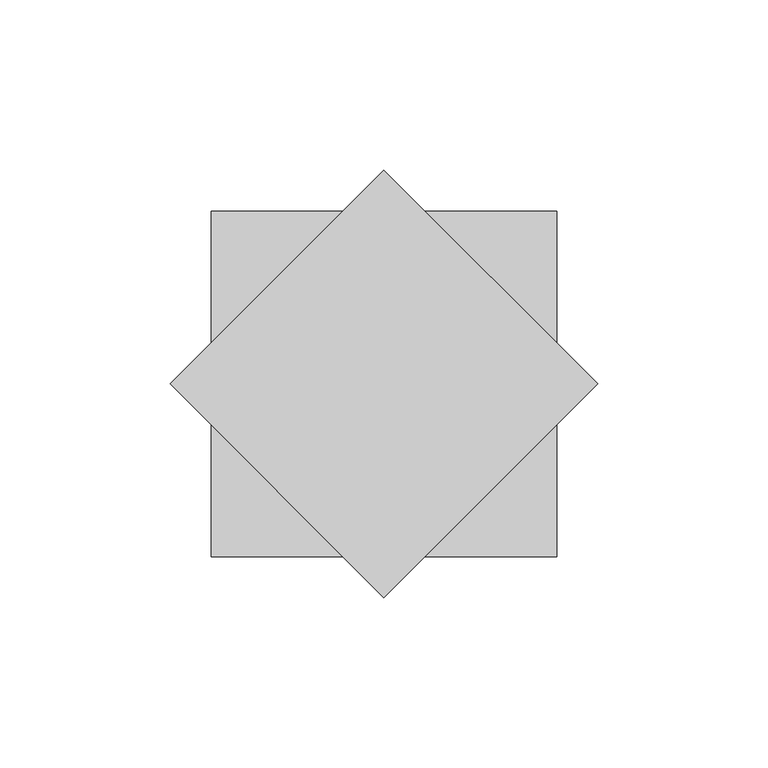
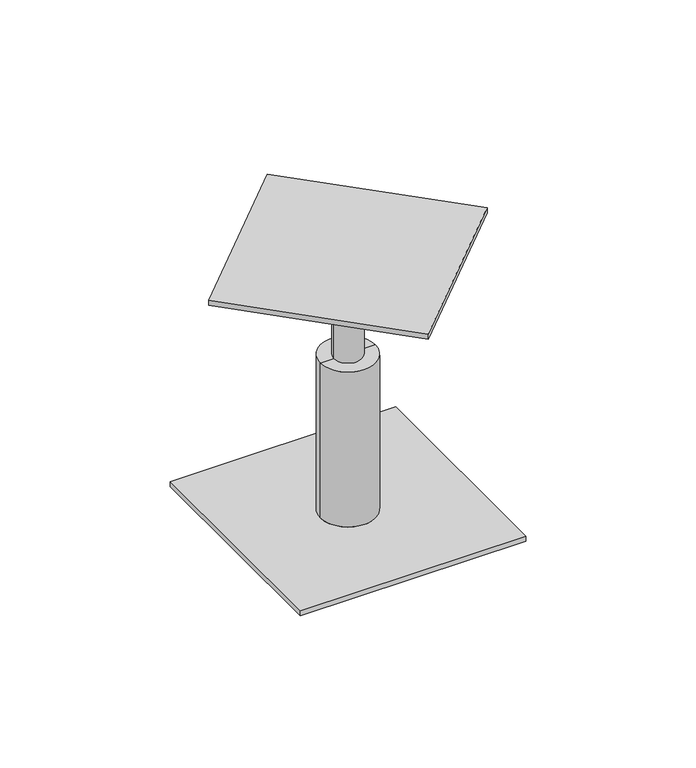
"""IFC4 building model written with IfcOpenShell, lengths in millimetres: proxy geometry."""

from ifc_helpers import new_model, si_unit, frame, origin, place, context, project, spatial, circle_curve, source, transform, mapped, element, save
from ifc_brep_helpers import plane_surface, cylinder_surface, advanced_brep


def generic_models_a8438784(model_context):
    return source(origin(), model_context, "Body", "AdvancedBrep", [
        advanced_brep(
        [(-50.8, 50.8, -150.01875), (-50.8, -50.8, -150.01875), (50.8, -50.8, -150.01875), (50.8, 50.8, -150.01875), (-12.3825, 0.0, -150.01875), (12.3825, 0.0, -150.01875), (-50.8, 50.8, -152.4), (50.8, 50.8, -152.4), (50.8, -50.8, -152.4), (-50.8, -50.8, -152.4), (-12.3825, 0.0, -76.2), (12.3825, 0.0, -76.2), (6.35, 0.0, -76.2), (-6.35, 0.0, -76.2), (6.35, 0.0, -30.95625), (-6.35, 0.0, -30.95625), (-62.8617928, 0.0, -30.95625), (0.0, 62.8617928, -30.95625), (62.8617928, 0.0, -30.95625), (0.0, -62.8617928, -30.95625), (-62.8617928, 0.0, -28.575), (0.0, -62.8617928, -28.575), (62.8617928, 0.0, -28.575), (0.0, 62.8617928, -28.575)],
        [
            (0, 1),
            (1, 2),
            (2, 3),
            (3, 0),
            (4, 5, circle_curve(frame((0.0, 0.0, -150.01875), z_axis=(0.0, 0.0, -1.0), x_axis=(1.0, 0.0, 0.0)), 12.3825)),
            (5, 4, circle_curve(frame((0.0, 0.0, -150.01875), z_axis=(0.0, 0.0, -1.0), x_axis=(1.0, 0.0, 0.0)), 12.3825)),
            (6, 7),
            (7, 8),
            (8, 9),
            (9, 6),
            (3, 7),
            (6, 0),
            (2, 8),
            (1, 9),
            (10, 4),
            (5, 11),
            (11, 10, circle_curve(frame((0.0, 0.0, -76.2), z_axis=(0.0, 0.0, -1.0), x_axis=(1.0, 0.0, 0.0)), 12.3825)),
            (10, 11, circle_curve(frame((0.0, 0.0, -76.2), z_axis=(0.0, 0.0, -1.0), x_axis=(1.0, 0.0, 0.0)), 12.3825)),
            (11, 12),
            (12, 13, circle_curve(frame((0.0, 0.0, -76.2), z_axis=(0.0, 0.0, -1.0), x_axis=(1.0, 0.0, 0.0)), 6.35)),
            (13, 10),
            (13, 12, circle_curve(frame((0.0, 0.0, -76.2), z_axis=(0.0, 0.0, -1.0), x_axis=(1.0, 0.0, 0.0)), 6.35)),
            (12, 14),
            (14, 15, circle_curve(frame((0.0, 0.0, -30.95625), z_axis=(0.0, 0.0, -1.0), x_axis=(1.0, 0.0, 0.0)), 6.35)),
            (15, 13),
            (15, 14, circle_curve(frame((0.0, 0.0, -30.95625), z_axis=(0.0, 0.0, -1.0), x_axis=(1.0, 0.0, 0.0)), 6.35)),
            (16, 17),
            (17, 18),
            (18, 19),
            (19, 16),
            (20, 21),
            (21, 22),
            (22, 23),
            (23, 20),
            (16, 20),
            (23, 17),
            (22, 18),
            (21, 19),
        ],
        [
            plane_surface(frame((50.8, 50.8, -150.01875), z_axis=(0.0, 0.0, 1.0), x_axis=(1.0, 0.0, 0.0))),
            plane_surface(frame((50.8, 50.8, -152.4), z_axis=(0.0, 0.0, -1.0), x_axis=(-1.0, 0.0, 0.0))),
            plane_surface(frame((-50.8, 50.8, -150.01875), z_axis=(0.0, 1.0, 0.0), x_axis=(0.0, 0.0, -1.0))),
            plane_surface(frame((50.8, 50.8, -150.01875), z_axis=(1.0, 0.0, 0.0), x_axis=(0.0, 0.0, -1.0))),
            plane_surface(frame((50.8, -50.8, -150.01875), z_axis=(0.0, -1.0, 0.0), x_axis=(0.0, 0.0, -1.0))),
            plane_surface(frame((-50.8, -50.8, -150.01875), z_axis=(-1.0, 0.0, 0.0), x_axis=(0.0, 0.0, -1.0))),
            cylinder_surface(frame((0.0, 0.0, 38.1), z_axis=(0.0, 0.0, 1.0), x_axis=(1.0, 0.0, 0.0)), 12.3825),
            plane_surface(frame((0.0, 0.0, -76.2), z_axis=(0.0, 0.0, 1.0), x_axis=(1.0, 0.0, 0.0))),
            cylinder_surface(frame((0.0, 0.0, 38.1), z_axis=(0.0, 0.0, 1.0), x_axis=(1.0, 0.0, 0.0)), 6.35),
            plane_surface(frame((-62.8617928, 0.0, -30.95625), z_axis=(0.0, 0.0, -1.0000000000000002), x_axis=(-0.7071067811858168, -0.7071067811872783, 0.0))),
            plane_surface(frame((-62.8617928, 0.0, -28.575), z_axis=(0.0, 0.0, 1.0000000000000002), x_axis=(0.7071067811858168, 0.7071067811872783, 0.0))),
            plane_surface(frame((-62.8617928, 0.0, -28.575), z_axis=(-0.7071067811872783, 0.7071067811858168, 0.0), x_axis=(0.0, 0.0, -1.0))),
            plane_surface(frame((0.0, 62.8617928, -28.575), z_axis=(0.7071067811863134, 0.7071067811867816, 0.0), x_axis=(0.0, 0.0, -1.0))),
            plane_surface(frame((62.8617928, 0.0, -28.575), z_axis=(0.7071067811858158, -0.7071067811872793, 0.0), x_axis=(0.0, 0.0, -1.0))),
            plane_surface(frame((0.0, -62.8617928, -28.575), z_axis=(-0.7071067811867853, -0.7071067811863098, 0.0), x_axis=(0.0, 0.0, -1.0))),
        ],
        [
            (0, [[1, 2, 3, 4], [5, 6]]),
            (1, [[7, 8, 9, 10]]),
            (2, [[11, -7, 12, -4]]),
            (3, [[13, -8, -11, -3]]),
            (4, [[14, -9, -13, -2]]),
            (5, [[-12, -10, -14, -1]]),
            (6, [[15, -6, 16, 17]]),
            (6, [[-16, -5, -15, 18]]),
            (7, [[19, 20, 21, -17]]),
            (7, [[-21, 22, -19, -18]]),
            (8, [[23, 24, 25, -20]]),
            (8, [[-25, 26, -23, -22]]),
            (9, [[27, 28, 29, 30], [-26, -24]]),
            (10, [[31, 32, 33, 34]]),
            (11, [[35, -34, 36, -27]]),
            (12, [[-36, -33, 37, -28]]),
            (13, [[-37, -32, 38, -29]]),
            (14, [[-38, -31, -35, -30]]),
        ],
    ),
    ])


if __name__ == "__main__":
    model = new_model("IFC4")
    model_context = context("Model", 3, world=origin())
    ifc_project = project(units=[si_unit("LENGTHUNIT", "METRE", prefix="MILLI")], contexts=[model_context])
    site = spatial("IfcSite", under=ifc_project)
    building = spatial("IfcBuilding", under=site)
    placement = place(None, origin())
    generic_models_shape = generic_models_a8438784(model_context)
    element("IfcBuildingElementProxy", 1, Name="Generic Models", at=placement, inside=building, context=model_context, shape_type="MappedRepresentation", body=[
        mapped(generic_models_shape, transform((0.0, 0.0, 0.0), x_axis=(1.0, 0.0, 0.0), y_axis=(0.0, 1.0, 0.0), z_axis=(0.0, 0.0, 1.0))),
    ])
    save(model, "model.ifc")
